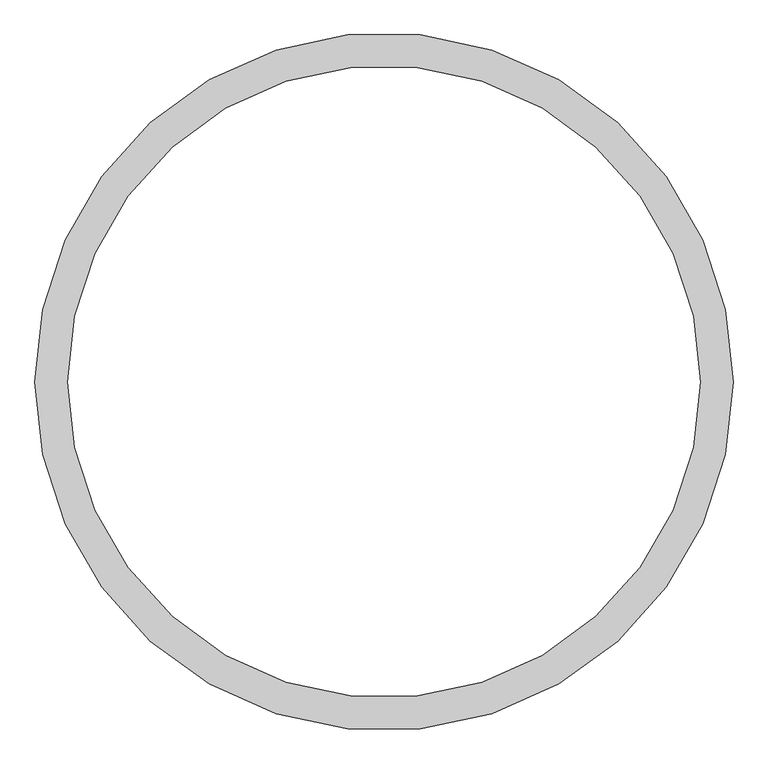
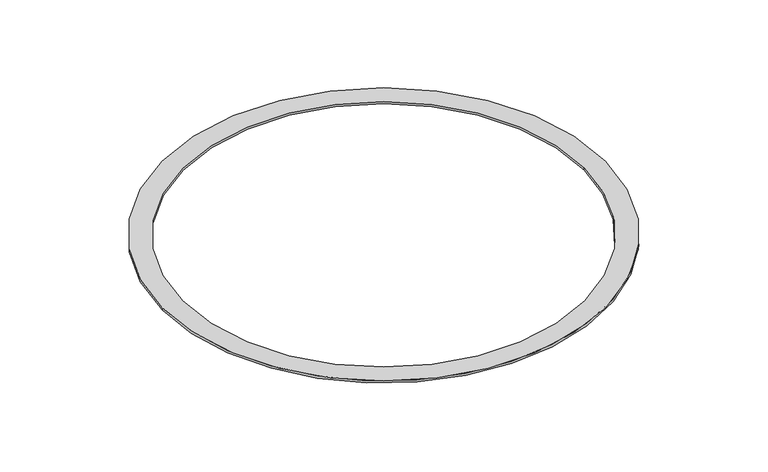
"""IFC4 building model written with IfcOpenShell, lengths in millimetres: furniture geometry."""

from ifc_helpers import new_model, si_unit, point, origin, origin_with_axes, origin_2d, place, context, project, spatial, circle_curve, trimmed, segment, composite_curve, outline, extrude, source, transform, mapped, element, save


def furniture_c881186c(model_context):
    return source(origin(), model_context, "Body", "SweptSolid", [
        extrude(outline(composite_curve([segment(trimmed(circle_curve(origin_2d(), 951.8016967), [point((-951.8016967, 0.0))], [point((951.8016967, 0.0))], False, "CARTESIAN"), True, "CONTINUOUS"), segment(trimmed(circle_curve(origin_2d(), 951.8016967), [point((951.8016967, 0.0))], [point((-951.8016967, 0.0))], False, "CARTESIAN"), True, "CONTINUOUS")], self_intersect=False), holes=[composite_curve([segment(trimmed(circle_curve(origin_2d(), 861.8016967), [point((861.8016967, 0.0))], [point((-861.8016967, 0.0))], True, "CARTESIAN"), True, "CONTINUOUS"), segment(trimmed(circle_curve(origin_2d(), 861.8016967), [point((-861.8016967, 0.0))], [point((861.8016967, 0.0))], True, "CARTESIAN"), True, "CONTINUOUS")], self_intersect=False)]), origin_with_axes(), (0.0, 0.0, 1.0), 10.0),
    ])


if __name__ == "__main__":
    model = new_model("IFC4")
    model_context = context("Model", 3, world=origin())
    ifc_project = project(units=[si_unit("LENGTHUNIT", "METRE", prefix="MILLI")], contexts=[model_context])
    site = spatial("IfcSite", under=ifc_project)
    building = spatial("IfcBuilding", under=site)
    placement = place(None, origin())
    furniture_shape = furniture_c881186c(model_context)
    element("IfcFurniture", 1, at=placement, inside=building, context=model_context, shape_type="MappedRepresentation", body=[
        mapped(furniture_shape, transform((0.0, 0.0, 0.0), x_axis=(1.0, 0.0, 0.0), y_axis=(0.0, 1.0, 0.0), z_axis=(0.0, 0.0, 1.0))),
    ])
    save(model, "model.ifc")
